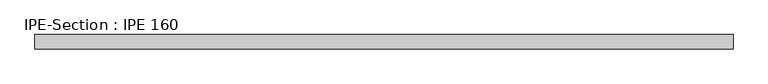
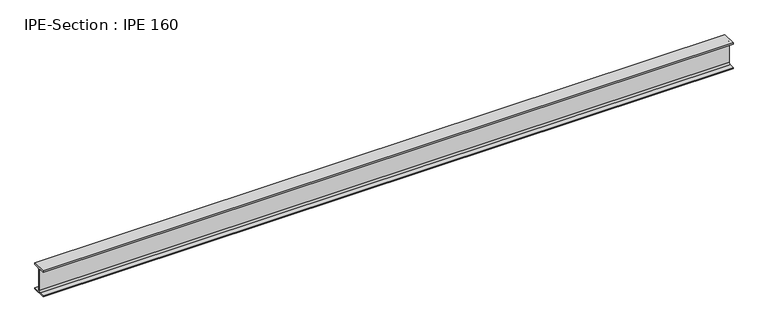
"""IFC4 building model written with IfcOpenShell, lengths in millimetres: beam geometry, IPE-Section : IPE 160."""

from ifc_helpers import new_model, si_unit, point, frame, frame_2d, origin, place, context, project, spatial, polyline, circle_curve, trimmed, segment, composite_curve, outline, extrude, source, transform, mapped, element, save


def ipe_section_ipe_160_3c3d8e82(model_context):
    return source(origin(), model_context, "Body", "SweptSolid", [
        extrude(outline(composite_curve([segment(polyline([(41.0, -72.6), (41.0, -80.0), (-41.0, -80.0), (-41.0, -72.6), (-11.5, -72.6)]), True, "CONTINUOUS"), segment(trimmed(circle_curve(frame_2d((-11.5, -63.6)), 9.0), [point((-11.5, -72.6))], [point((-2.5, -63.6))], True, "CARTESIAN"), True, "CONTINUOUS"), segment(polyline([(-2.5, -63.6), (-2.5, 63.6)]), True, "CONTINUOUS"), segment(trimmed(circle_curve(frame_2d((-11.5, 63.6)), 9.0), [point((-2.5, 63.6))], [point((-11.5, 72.6))], True, "CARTESIAN"), True, "CONTINUOUS"), segment(polyline([(-11.5, 72.6), (-41.0, 72.6), (-41.0, 80.0), (41.0, 80.0), (41.0, 72.6), (11.5, 72.6)]), True, "CONTINUOUS"), segment(trimmed(circle_curve(frame_2d((11.5, 63.6)), 9.0), [point((11.5, 72.6))], [point((2.5, 63.6))], True, "CARTESIAN"), True, "CONTINUOUS"), segment(polyline([(2.5, 63.6), (2.5, -63.6)]), True, "CONTINUOUS"), segment(trimmed(circle_curve(frame_2d((11.5, -63.6)), 9.0), [point((2.5, -63.6))], [point((11.5, -72.6))], True, "CARTESIAN"), True, "CONTINUOUS"), segment(polyline([(11.5, -72.6), (41.0, -72.6)]), True, "CONTINUOUS")], self_intersect=False)), frame((-2029.5129503, 0.0, 0.0), z_axis=(1.0, 0.0, 0.0), x_axis=(0.0, 1.0, 0.0)), (0.0, 0.0, 1.0), 4034.0259006),
    ])


if __name__ == "__main__":
    model = new_model("IFC4")
    model_context = context("Model", 3, world=origin())
    ifc_project = project(units=[si_unit("LENGTHUNIT", "METRE", prefix="MILLI")], contexts=[model_context])
    site = spatial("IfcSite", under=ifc_project)
    building = spatial("IfcBuilding", under=site)
    placement = place(None, origin())
    ipe_section_ipe_160_shape = ipe_section_ipe_160_3c3d8e82(model_context)
    element("IfcBeam", 1, ObjectType="IPE-Section : IPE 160", at=placement, inside=building, context=model_context, shape_type="MappedRepresentation", body=[
        mapped(ipe_section_ipe_160_shape, transform((0.0, 0.0, 0.0), x_axis=(1.0, 0.0, 0.0), y_axis=(0.0, 1.0, 0.0), z_axis=(0.0, 0.0, 1.0))),
    ])
    save(model, "model.ifc")
